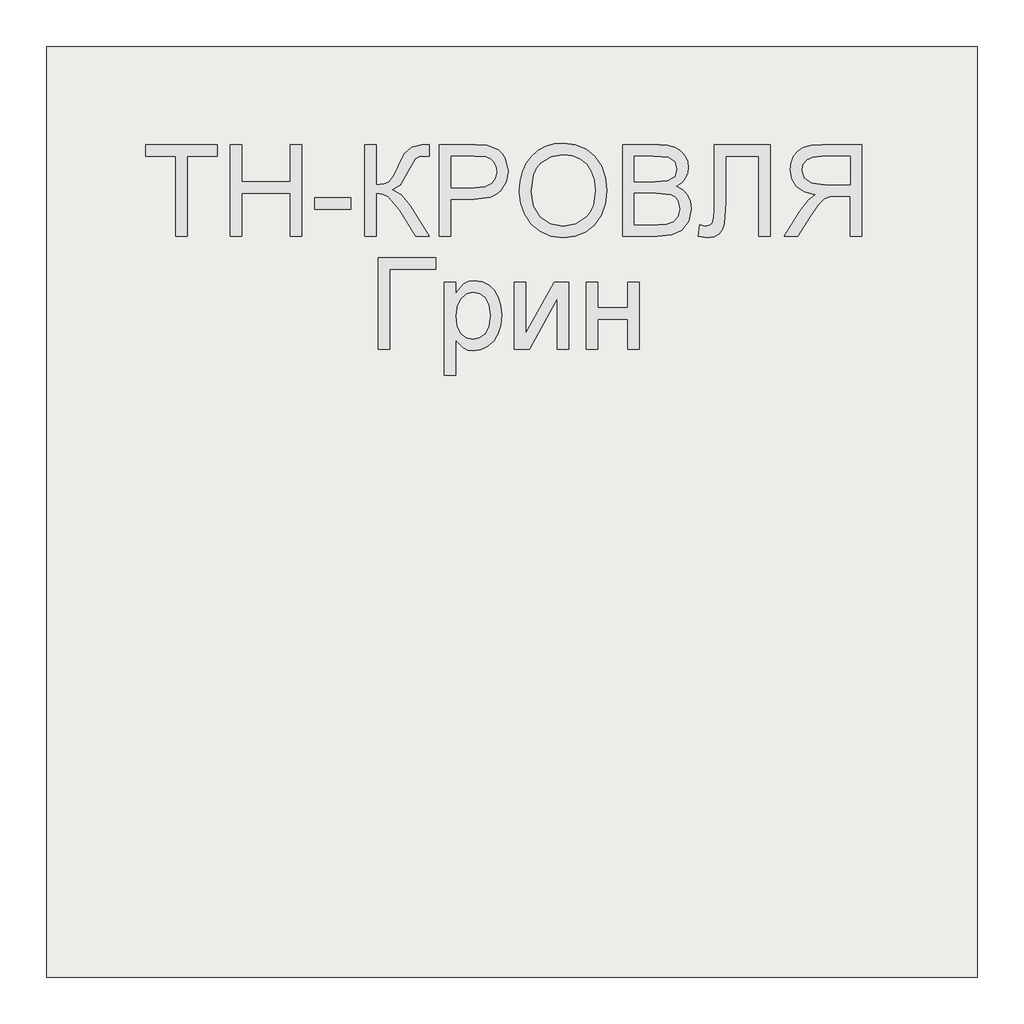
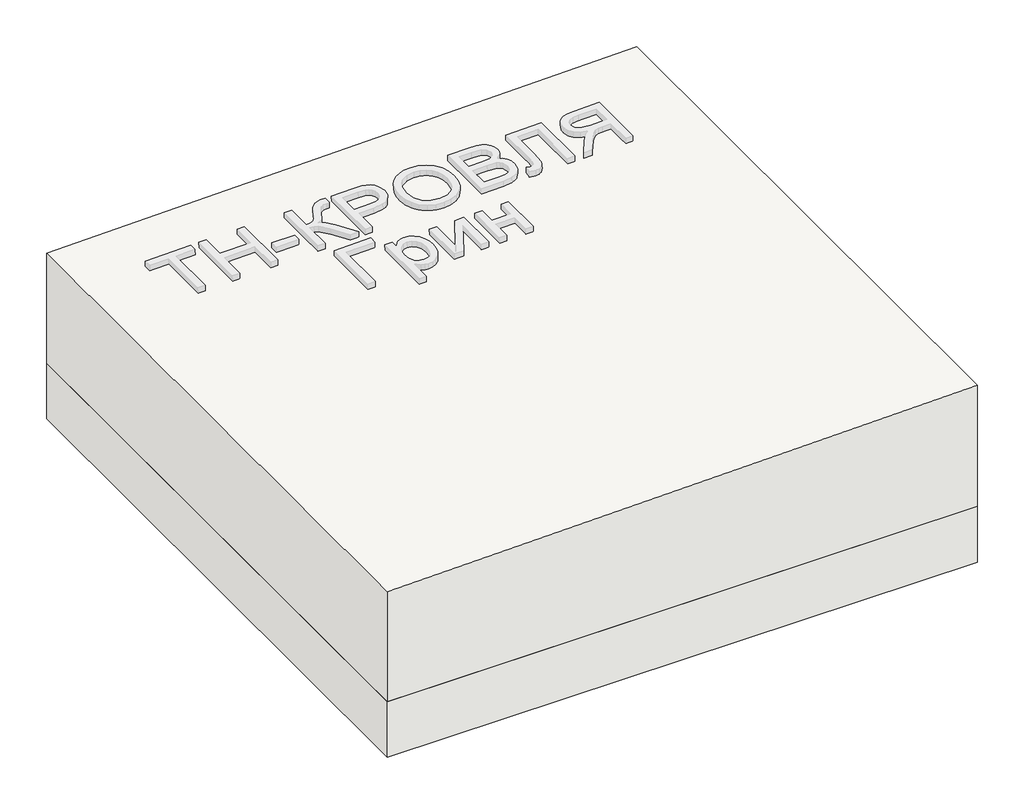
# One storey, part 1 of 3: 1 roof, 1 slab.
"""IFC4 building model written with IfcOpenShell, lengths in millimetres."""

from ifc_helpers import new_model, si_unit, frame, origin, place, context, project, spatial, polyline, outline, extrude, element, save

model = new_model("IFC4")

# Units and contexts
model_context = context("Model", 3, world=origin())
ifc_project = project(units=[si_unit("LENGTHUNIT", "METRE", prefix="MILLI")], contexts=[model_context])

# Site, building, storey
site = spatial("IfcSite", under=ifc_project)
building = spatial("IfcBuilding", under=site)
storey = spatial("IfcBuildingStorey", under=building, Elevation=0.0)

# Roof
placement = place(None, origin())
element("IfcRoof", 1, at=placement, inside=storey, context=model_context, shape_type="SweptSolid", body=[
    extrude(outline(polyline([(394.0, 33706.3955952), (0.0, 33706.3955952), (0.0, 35706.3955952), (434.0, 35706.3955952), (394.0, 33706.3955952)])), frame((0.0, -6302.6148653, 0.0), z_axis=(0.0, 1.0, 0.0), x_axis=(0.0, 0.0, 1.0)), (0.0, 0.0, 1.0), 2000.0),
])

# Slab
element("IfcSlab", 2, at=placement, inside=storey, context=model_context, shape_type="SweptSolid", body=[
    extrude(outline(polyline([(35706.3955952, -6302.6148653), (33706.3955952, -6302.6148653), (33706.3955952, -4302.6148653), (35706.3955952, -4302.6148653), (35706.3955952, -6302.6148653)])), frame((0.0, 0.0, -200.0), z_axis=(0.0, 0.0, 1.0), x_axis=(1.0, 0.0, 0.0)), (0.0, 0.0, 1.0), 200.0),
])

save(model, "model.ifc")
